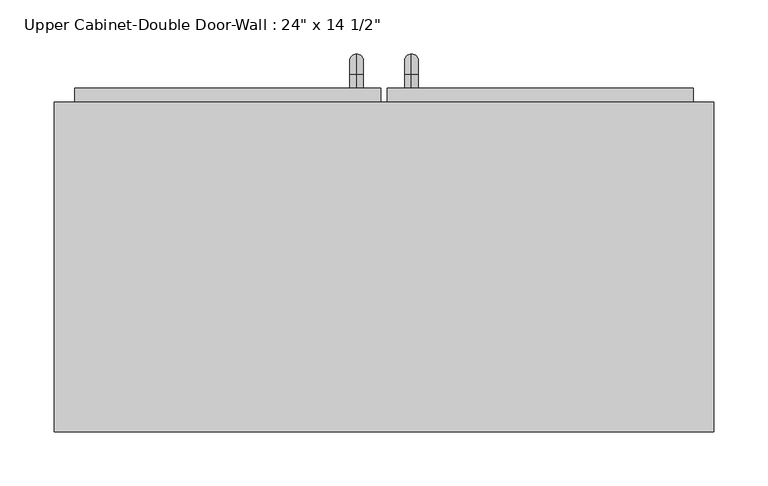
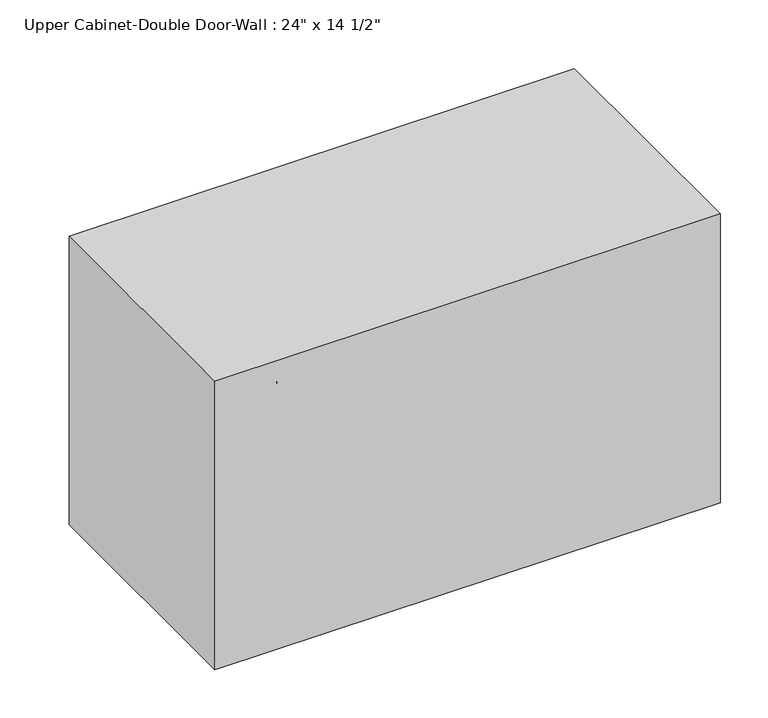
"""IFC4 building model written with IfcOpenShell, lengths in millimetres: furniture geometry."""

from ifc_helpers import new_model, si_unit, point, frame, origin, place, context, project, spatial, polyline, circle_curve, ellipse_curve, trimmed, outline, extrude, faceted_brep, source, transform, mapped, element, save
from ifc_brep_helpers import plane_surface, cylinder_surface, revolved_surface, advanced_brep


def furniture_98b371c3(model_context):
    return source(origin(), model_context, "Body", "SolidModel", [
        faceted_brep([(-275.0288372, 53.975, 2133.6), (-275.0288372, 53.975, 1765.3), (334.5711628, 53.975, 1765.3), (334.5711628, 53.975, 2133.6), (-275.0288372, 358.775, 2133.6), (334.5711628, 358.775, 2133.6), (334.5711628, 358.775, 1765.3), (-275.0288372, 358.775, 1765.3), (-255.9788372, 358.775, 2114.55), (-255.9788372, 358.775, 1784.35), (315.5211628, 358.775, 1784.35), (315.5211628, 358.775, 2114.55), (315.5211628, 73.025, 2114.55), (-255.9788372, 73.025, 2114.55), (315.5211628, 73.025, 1784.35), (-255.9788372, 73.025, 1784.35)], [[[0, 1, 2, 3]], [[4, 5, 6, 7], [8, 9, 10, 11]], [[1, 0, 4, 7]], [[2, 1, 7, 6]], [[3, 2, 6, 5]], [[0, 3, 5, 4]], [[8, 11, 12, 13]], [[11, 10, 14, 12]], [[10, 9, 15, 14]], [[9, 8, 13, 15]], [[13, 12, 14, 15]]]),
        advanced_brep(
        [(55.1711628, 371.475, 1911.35), (55.1711628, 371.475, 1924.05), (55.1711628, 384.175, 1911.35), (55.1711628, 384.175, 1924.05), (55.1711628, 403.225, 1905.0), (55.1711628, 390.525, 1905.0), (55.1711628, 390.525, 1828.8), (55.1711628, 403.225, 1828.8), (55.1711628, 384.175, 1809.75), (55.1711628, 384.175, 1822.45), (55.1711628, 371.475, 1822.45), (55.1711628, 371.475, 1809.75)],
        [
            (0, 1, circle_curve(frame((55.1711628, 371.475, 1917.7), z_axis=(0.0, -1.0, 0.0), x_axis=(0.0, 0.0, -1.0)), 6.35)),
            (1, 0, circle_curve(frame((55.1711628, 371.475, 1917.7), z_axis=(0.0, -1.0, 0.0), x_axis=(0.0, 0.0, -1.0)), 6.35)),
            (0, 2),
            (2, 3, circle_curve(frame((55.1711628, 384.175, 1917.7), z_axis=(0.0, -1.0, 0.0), x_axis=(0.0, 0.0, -1.0)), 6.35)),
            (3, 1),
            (3, 2, circle_curve(frame((55.1711628, 384.175, 1917.7), z_axis=(0.0, -1.0, 0.0), x_axis=(0.0, 0.0, -1.0)), 6.35)),
            (4, 3, circle_curve(frame((55.1711628, 384.175, 1905.0), z_axis=(1.0, 0.0, 0.0), x_axis=(0.0, 0.0, 1.0)), 19.05)),
            (2, 5, circle_curve(frame((55.1711628, 384.175, 1905.0), z_axis=(-1.0, 0.0, 0.0), x_axis=(0.0, 0.0, 1.0)), 6.35)),
            (5, 4, circle_curve(frame((55.1711628, 396.875, 1905.0), z_axis=(0.0, 0.0, 1.0), x_axis=(0.0, -1.0, 0.0)), 6.35)),
            (4, 5, circle_curve(frame((55.1711628, 396.875, 1905.0), z_axis=(0.0, 0.0, 1.0), x_axis=(0.0, -1.0, 0.0)), 6.35)),
            (5, 6),
            (6, 7, circle_curve(frame((55.1711628, 396.875, 1828.8), z_axis=(0.0, 0.0, 1.0), x_axis=(0.0, -1.0, 0.0)), 6.35)),
            (7, 4),
            (7, 6, circle_curve(frame((55.1711628, 396.875, 1828.8), z_axis=(0.0, 0.0, 1.0), x_axis=(0.0, -1.0, 0.0)), 6.35)),
            (8, 7, circle_curve(frame((55.1711628, 384.175, 1828.8), z_axis=(1.0, 0.0, 0.0), x_axis=(0.0, 1.0, 0.0)), 19.05)),
            (6, 9, circle_curve(frame((55.1711628, 384.175, 1828.8), z_axis=(-1.0, 0.0, 0.0), x_axis=(0.0, 1.0, 0.0)), 6.35)),
            (9, 8, circle_curve(frame((55.1711628, 384.175, 1816.1), z_axis=(0.0, 1.0, 0.0), x_axis=(0.0, 0.0, 1.0)), 6.35)),
            (8, 9, circle_curve(frame((55.1711628, 384.175, 1816.1), z_axis=(0.0, 1.0, 0.0), x_axis=(0.0, 0.0, 1.0)), 6.35)),
            (10, 11, circle_curve(frame((55.1711628, 371.475, 1816.1), z_axis=(0.0, -1.0, 0.0), x_axis=(0.0, 0.0, 1.0)), 6.35)),
            (11, 10, circle_curve(frame((55.1711628, 371.475, 1816.1), z_axis=(0.0, -1.0, 0.0), x_axis=(0.0, 0.0, 1.0)), 6.35)),
            (9, 10),
            (11, 8),
        ],
        [
            plane_surface(frame((48.8211628, 371.475, 1917.7), z_axis=(0.0, -1.0, 0.0), x_axis=(0.0, 0.0, 1.0))),
            cylinder_surface(frame((55.1711628, 371.475, 1917.7), z_axis=(0.0, -1.0, 0.0), x_axis=(0.0, 0.0, -1.0)), 6.35),
            revolved_surface(trimmed(ellipse_curve(frame((55.1711628, 384.175, 1917.7), z_axis=(0.0, -1.0, 0.0), x_axis=(0.0, 0.0, -1.0)), 6.35, 6.35), [point((55.1711628, 384.175, 1911.35))], [point((55.1711628, 384.175, 1924.05))], True, "CARTESIAN"), (55.1711628, 384.175, 1905.0), (-1.0, 0.0, 0.0)),
            revolved_surface(trimmed(ellipse_curve(frame((55.1711628, 384.175, 1917.7), z_axis=(0.0, -1.0, 0.0), x_axis=(0.0, 0.0, -1.0)), 6.35, 6.35), [point((55.1711628, 384.175, 1924.05))], [point((55.1711628, 384.175, 1911.35))], True, "CARTESIAN"), (55.1711628, 384.175, 1905.0), (-1.0, 0.0, 0.0)),
            cylinder_surface(frame((55.1711628, 396.875, 1905.0), z_axis=(0.0, 0.0, 1.0), x_axis=(0.0, -1.0, 0.0)), 6.35),
            revolved_surface(trimmed(ellipse_curve(frame((55.1711628, 396.875, 1828.8), z_axis=(0.0, 0.0, 1.0), x_axis=(0.0, -1.0, 0.0)), 6.35, 6.35), [point((55.1711628, 390.525, 1828.8))], [point((55.1711628, 403.225, 1828.8))], True, "CARTESIAN"), (55.1711628, 384.175, 1828.8), (-1.0, 0.0, 0.0)),
            revolved_surface(trimmed(ellipse_curve(frame((55.1711628, 396.875, 1828.8), z_axis=(0.0, 0.0, 1.0), x_axis=(0.0, -1.0, 0.0)), 6.35, 6.35), [point((55.1711628, 403.225, 1828.8))], [point((55.1711628, 390.525, 1828.8))], True, "CARTESIAN"), (55.1711628, 384.175, 1828.8), (-1.0, 0.0, 0.0)),
            plane_surface(frame((48.8211628, 371.475, 1816.1), z_axis=(0.0, -1.0, 0.0), x_axis=(0.0, 0.0, -1.0))),
            cylinder_surface(frame((55.1711628, 384.175, 1816.1), z_axis=(0.0, 1.0, 0.0), x_axis=(0.0, 0.0, 1.0)), 6.35),
        ],
        [
            (0, [[1, 2]]),
            (1, [[-1, 3, 4, 5]]),
            (1, [[-2, -5, 6, -3]]),
            (2, [[7, -4, 8, 9]]),
            (3, [[-8, -6, -7, 10]]),
            (4, [[-9, 11, 12, 13]]),
            (4, [[-10, -13, 14, -11]]),
            (5, [[15, -12, 16, 17]]),
            (6, [[-16, -14, -15, 18]]),
            (7, [[19, 20]]),
            (8, [[-17, 21, -20, 22]]),
            (8, [[-18, -22, -19, -21]]),
        ],
    ),
        advanced_brep(
        [(4.3711628, 371.475, 1911.35), (4.3711628, 371.475, 1924.05), (4.3711628, 384.175, 1911.35), (4.3711628, 384.175, 1924.05), (4.3711628, 403.225, 1905.0), (4.3711628, 390.525, 1905.0), (4.3711628, 390.525, 1828.8), (4.3711628, 403.225, 1828.8), (4.3711628, 384.175, 1809.75), (4.3711628, 384.175, 1822.45), (4.3711628, 371.475, 1822.45), (4.3711628, 371.475, 1809.75)],
        [
            (0, 1, circle_curve(frame((4.3711628, 371.475, 1917.7), z_axis=(0.0, -1.0, 0.0), x_axis=(0.0, 0.0, 1.0)), 6.35)),
            (1, 0, circle_curve(frame((4.3711628, 371.475, 1917.7), z_axis=(0.0, -1.0, 0.0), x_axis=(0.0, 0.0, 1.0)), 6.35)),
            (0, 2),
            (2, 3, circle_curve(frame((4.3711628, 384.175, 1917.7), z_axis=(0.0, -1.0, 0.0), x_axis=(0.0, 0.0, 1.0)), 6.35)),
            (3, 1),
            (3, 2, circle_curve(frame((4.3711628, 384.175, 1917.7), z_axis=(0.0, -1.0, 0.0), x_axis=(0.0, 0.0, 1.0)), 6.35)),
            (4, 3, circle_curve(frame((4.3711628, 384.175, 1905.0), z_axis=(1.0, 0.0, 0.0), x_axis=(0.0, 0.0, 1.0)), 19.05)),
            (2, 5, circle_curve(frame((4.3711628, 384.175, 1905.0), z_axis=(-1.0, 0.0, 0.0), x_axis=(0.0, 0.0, 1.0)), 6.35)),
            (5, 4, circle_curve(frame((4.3711628, 396.875, 1905.0), z_axis=(0.0, 0.0, 1.0), x_axis=(0.0, 1.0, 0.0)), 6.35)),
            (4, 5, circle_curve(frame((4.3711628, 396.875, 1905.0), z_axis=(0.0, 0.0, 1.0), x_axis=(0.0, 1.0, 0.0)), 6.35)),
            (5, 6),
            (6, 7, circle_curve(frame((4.3711628, 396.875, 1828.8), z_axis=(0.0, 0.0, 1.0), x_axis=(0.0, 1.0, 0.0)), 6.35)),
            (7, 4),
            (7, 6, circle_curve(frame((4.3711628, 396.875, 1828.8), z_axis=(0.0, 0.0, 1.0), x_axis=(0.0, 1.0, 0.0)), 6.35)),
            (8, 7, circle_curve(frame((4.3711628, 384.175, 1828.8), z_axis=(1.0, 0.0, 0.0), x_axis=(0.0, 1.0, 0.0)), 19.05)),
            (6, 9, circle_curve(frame((4.3711628, 384.175, 1828.8), z_axis=(-1.0, 0.0, 0.0), x_axis=(0.0, 1.0, 0.0)), 6.35)),
            (9, 8, circle_curve(frame((4.3711628, 384.175, 1816.1), z_axis=(0.0, 1.0, 0.0), x_axis=(0.0, 0.0, -1.0)), 6.35)),
            (8, 9, circle_curve(frame((4.3711628, 384.175, 1816.1), z_axis=(0.0, 1.0, 0.0), x_axis=(0.0, 0.0, -1.0)), 6.35)),
            (10, 11, circle_curve(frame((4.3711628, 371.475, 1816.1), z_axis=(0.0, -1.0, 0.0), x_axis=(0.0, 0.0, -1.0)), 6.35)),
            (11, 10, circle_curve(frame((4.3711628, 371.475, 1816.1), z_axis=(0.0, -1.0, 0.0), x_axis=(0.0, 0.0, -1.0)), 6.35)),
            (9, 10),
            (11, 8),
        ],
        [
            plane_surface(frame((-1.9788372, 371.475, 1917.7), z_axis=(0.0, -1.0, 0.0), x_axis=(0.0, 0.0, 1.0))),
            cylinder_surface(frame((4.3711628, 371.475, 1917.7), z_axis=(0.0, -1.0, 0.0), x_axis=(0.0, 0.0, 1.0)), 6.35),
            revolved_surface(trimmed(ellipse_curve(frame((4.3711628, 384.175, 1917.7), z_axis=(0.0, -1.0, 0.0), x_axis=(0.0, 0.0, 1.0)), 6.35, 6.35), [point((4.3711628, 384.175, 1911.35))], [point((4.3711628, 384.175, 1924.05))], True, "CARTESIAN"), (4.3711628, 384.175, 1905.0), (-1.0, 0.0, 0.0)),
            revolved_surface(trimmed(ellipse_curve(frame((4.3711628, 384.175, 1917.7), z_axis=(0.0, -1.0, 0.0), x_axis=(0.0, 0.0, 1.0)), 6.35, 6.35), [point((4.3711628, 384.175, 1924.05))], [point((4.3711628, 384.175, 1911.35))], True, "CARTESIAN"), (4.3711628, 384.175, 1905.0), (-1.0, 0.0, 0.0)),
            cylinder_surface(frame((4.3711628, 396.875, 1905.0), z_axis=(0.0, 0.0, 1.0), x_axis=(0.0, 1.0, 0.0)), 6.35),
            revolved_surface(trimmed(ellipse_curve(frame((4.3711628, 396.875, 1828.8), z_axis=(0.0, 0.0, 1.0), x_axis=(0.0, 1.0, 0.0)), 6.35, 6.35), [point((4.3711628, 390.525, 1828.8))], [point((4.3711628, 403.225, 1828.8))], True, "CARTESIAN"), (4.3711628, 384.175, 1828.8), (-1.0, 0.0, 0.0)),
            revolved_surface(trimmed(ellipse_curve(frame((4.3711628, 396.875, 1828.8), z_axis=(0.0, 0.0, 1.0), x_axis=(0.0, 1.0, 0.0)), 6.35, 6.35), [point((4.3711628, 403.225, 1828.8))], [point((4.3711628, 390.525, 1828.8))], True, "CARTESIAN"), (4.3711628, 384.175, 1828.8), (-1.0, 0.0, 0.0)),
            plane_surface(frame((-1.9788372, 371.475, 1816.1), z_axis=(0.0, -1.0, 0.0), x_axis=(0.0, 0.0, -1.0))),
            cylinder_surface(frame((4.3711628, 384.175, 1816.1), z_axis=(0.0, 1.0, 0.0), x_axis=(0.0, 0.0, -1.0)), 6.35),
        ],
        [
            (0, [[1, 2]]),
            (1, [[-1, 3, 4, 5]]),
            (1, [[-2, -5, 6, -3]]),
            (2, [[7, -4, 8, 9]]),
            (3, [[-8, -6, -7, 10]]),
            (4, [[-9, 11, 12, 13]]),
            (4, [[-10, -13, 14, -11]]),
            (5, [[15, -12, 16, 17]]),
            (6, [[-16, -14, -15, 18]]),
            (7, [[19, 20]]),
            (8, [[-17, 21, -20, 22]]),
            (8, [[-18, -22, -19, -21]]),
        ],
    ),
        extrude(outline(polyline([(32.9461628, 371.475), (315.5211628, 371.475), (315.5211628, 339.725), (32.9461628, 339.725), (32.9461628, 371.475)])), frame((0.0, 0.0, 1784.35), z_axis=(0.0, 0.0, 1.0), x_axis=(1.0, 0.0, 0.0)), (0.0, 0.0, 1.0), 330.2),
        extrude(outline(polyline([(-255.9788372, 371.475), (26.5961628, 371.475), (26.5961628, 339.725), (-255.9788372, 339.725), (-255.9788372, 371.475)])), frame((0.0, 0.0, 1784.35), z_axis=(0.0, 0.0, 1.0), x_axis=(1.0, 0.0, 0.0)), (0.0, 0.0, 1.0), 330.2),
    ])


if __name__ == "__main__":
    model = new_model("IFC4")
    model_context = context("Model", 3, world=origin())
    ifc_project = project(units=[si_unit("LENGTHUNIT", "METRE", prefix="MILLI")], contexts=[model_context])
    site = spatial("IfcSite", under=ifc_project)
    building = spatial("IfcBuilding", under=site)
    placement = place(None, origin())
    furniture_shape = furniture_98b371c3(model_context)
    element("IfcFurniture", 1, ObjectType="Upper Cabinet-Double Door-Wall : 24\" x 14 1/2\"", at=placement, inside=building, context=model_context, shape_type="MappedRepresentation", body=[
        mapped(furniture_shape, transform((0.0, 0.0, 0.0), x_axis=(1.0, 0.0, 0.0), y_axis=(0.0, 1.0, 0.0), z_axis=(0.0, 0.0, 1.0))),
    ])
    save(model, "model.ifc")
